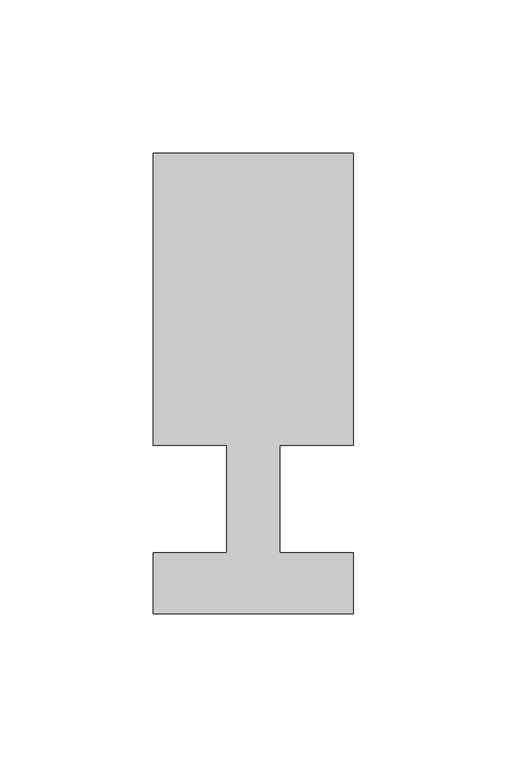
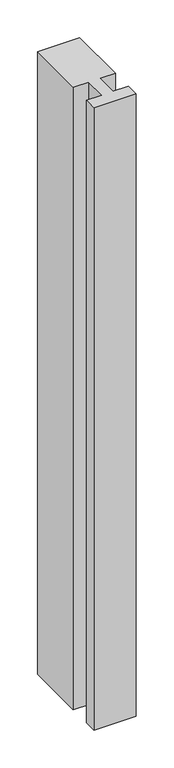
"""IFC4 building model written with IfcOpenShell, lengths in millimetres: member geometry."""

from ifc_helpers import new_model, si_unit, frame, origin, place, context, project, spatial, polyline, outline, extrude, source, transform, mapped, element, save


def member_490ef786(model_context):
    return source(origin(), model_context, "Body", "SweptSolid", [
        extrude(outline(polyline([(0.0, -37.0), (-65.0, -37.0), (-65.0, -17.0), (-41.1875, -17.0), (-41.1875, 18.0), (-65.0, 18.0), (-65.0, 113.0), (0.0, 113.0), (0.0, 18.0), (-23.8125, 18.0), (-23.8125, -17.0), (0.0, -17.0), (0.0, -37.0)])), frame((0.0, 0.0, -1010.0), z_axis=(0.0, 0.0, 1.0), x_axis=(1.0, 0.0, 0.0)), (0.0, 0.0, 1.0), 1010.0),
    ])


if __name__ == "__main__":
    model = new_model("IFC4")
    model_context = context("Model", 3, world=origin())
    ifc_project = project(units=[si_unit("LENGTHUNIT", "METRE", prefix="MILLI")], contexts=[model_context])
    site = spatial("IfcSite", under=ifc_project)
    building = spatial("IfcBuilding", under=site)
    placement = place(None, origin())
    member_shape = member_490ef786(model_context)
    element("IfcMember", 1, at=placement, inside=building, context=model_context, shape_type="MappedRepresentation", body=[
        mapped(member_shape, transform((0.0, 0.0, 0.0), x_axis=(1.0, 0.0, 0.0), y_axis=(0.0, 1.0, 0.0), z_axis=(0.0, 0.0, 1.0))),
    ])
    save(model, "model.ifc")
